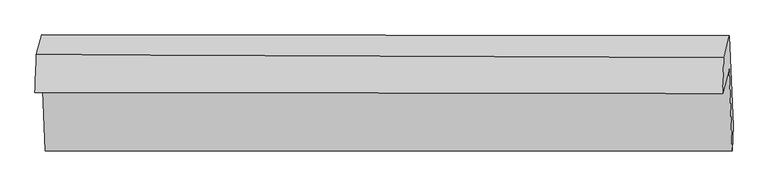
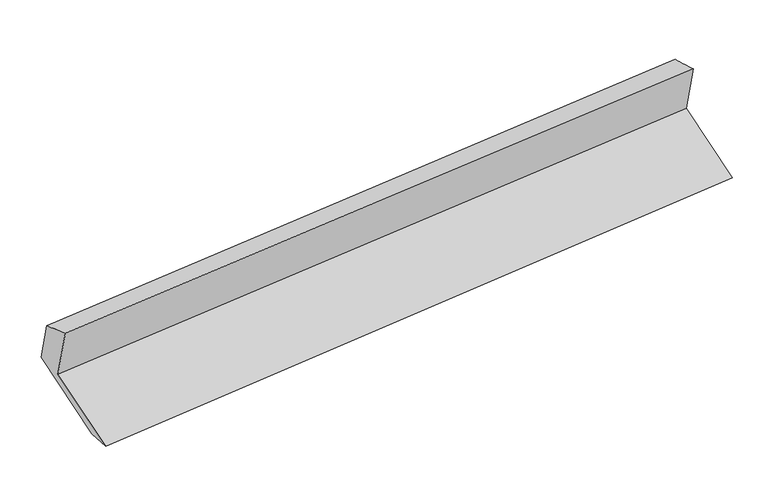
"""IFC4 building model written with IfcOpenShell, lengths in millimetres: proxy geometry."""

from ifc_helpers import new_model, si_unit, frame, origin, place, context, project, spatial, source, transform, mapped, element, save
from ifc_brep_helpers import plane_surface, spline_surface, advanced_brep


def generic_models_ac85463c(model_context):
    return source(origin(), model_context, "Body", "AdvancedBrep", [
        advanced_brep(
        [(-5323.0310336, -1535.8458102, 2094.2059444), (-5274.6797679, -1353.1665308, 1630.6928469), (-436.1475956, -1371.033643, 2117.5823615), (-482.3841639, -1545.7232368, 2560.8231877), (-5250.8230993, -1949.784362, 1398.0430774), (-413.0354961, -1949.0309704, 1892.1936151), (-5249.567631, -1765.4853134, 1387.0406901), (-408.1375917, -1772.4037922, 1846.1501796), (-5274.9783708, -1130.0026018, 1634.8457316), (-433.5483314, -1136.9210806, 2093.9552211), (-5312.0448166, -1270.0459186, 1990.1783767), (-473.8532643, -1289.1999505, 2480.3331995)],
        [
            (0, 1),
            (1, 2),
            (2, 3),
            (3, 0),
            (1, 4),
            (4, 5),
            (5, 2),
            (4, 6),
            (6, 7),
            (7, 5),
            (6, 8),
            (8, 9),
            (9, 7),
            (8, 10),
            (10, 11),
            (11, 9),
            (10, 0),
            (3, 11),
        ],
        [
            plane_surface(frame((-5298.8554007, -1444.5061705, 1862.4493957), z_axis=(0.03313753956502941, -0.931014863433483, -0.36347383336013234), x_axis=(0.09659557133101461, 0.36495444540030336, -0.9260008360589055))),
            plane_surface(frame((-5262.7514336, -1651.4754464, 1514.3679622), z_axis=(-0.09455005445596422, -0.36495489844830564, 0.9262117518693882), x_axis=(0.03722845374971681, -0.9310251866072075, -0.36305115911455194))),
            spline_surface(1, 1, [[(-5250.8230993, -1949.784362, 1398.0430774), (-413.0354961, -1949.0309704, 1892.1936151)], [(-5249.567631, -1765.4853134, 1387.0406901), (-408.1375917, -1772.4037922, 1846.1501796)]], [2, 2], [2, 2], [0.0, 1.0], [0.0, 1.0]),
            plane_surface(frame((-5262.2730009, -1447.7439576, 1510.9432108), z_axis=(0.0884113126407758, 0.36494699849134116, -0.9268209795258715), x_axis=(-0.0372284537497163, 0.931025186607211, 0.36305115911454283))),
            plane_surface(frame((-5293.5115937, -1200.0242602, 1812.5120541), z_axis=(-0.033137539565029385, 0.9310148634334832, 0.36347383336013206), x_axis=(-0.09659557133101462, -0.3649544454003031, 0.9260008360589056))),
            spline_surface(1, 1, [[(-5312.0448166, -1270.0459186, 1990.1783767), (-473.8532643, -1289.1999505, 2480.3331995)], [(-5323.0310336, -1535.8458102, 2094.2059444), (-482.3841639, -1545.7232368, 2560.8231877)]], [2, 2], [2, 2], [0.0, 1.0], [0.0, 1.0]),
            plane_surface(frame((-441.1844072, -1510.7187789, 2165.1729608), z_axis=(0.9946272356167613, -0.0005955548396389537, 0.10351959951522653), x_axis=(-0.09659557133101462, -0.3649544454003031, 0.9260008360589056))),
            plane_surface(frame((-5280.8541199, -1500.7217561, 1689.1677778), z_axis=(-0.9946272356167615, 0.0005955548396398558, -0.10351959951522438), x_axis=(0.03846133393794282, 0.9305312708489827, -0.3641871493667664))),
        ],
        [
            (0, [[1, 2, 3, 4]]),
            (1, [[5, 6, 7, -2]]),
            (2, [[8, 9, 10, -6]]),
            (3, [[11, 12, 13, -9]]),
            (4, [[14, 15, 16, -12]]),
            (5, [[17, -4, 18, -15]]),
            (6, [[-16, -18, -3, -7, -10, -13]]),
            (7, [[-17, -14, -11, -8, -5, -1]]),
        ],
    ),
    ])


if __name__ == "__main__":
    model = new_model("IFC4")
    model_context = context("Model", 3, world=origin())
    ifc_project = project(units=[si_unit("LENGTHUNIT", "METRE", prefix="MILLI")], contexts=[model_context])
    site = spatial("IfcSite", under=ifc_project)
    building = spatial("IfcBuilding", under=site)
    placement = place(None, origin())
    generic_models_shape = generic_models_ac85463c(model_context)
    element("IfcBuildingElementProxy", 1, Name="Generic Models", at=placement, inside=building, context=model_context, shape_type="MappedRepresentation", body=[
        mapped(generic_models_shape, transform((0.0, 0.0, 0.0), x_axis=(1.0, 0.0, 0.0), y_axis=(0.0, 1.0, 0.0), z_axis=(0.0, 0.0, 1.0))),
    ])
    save(model, "model.ifc")
